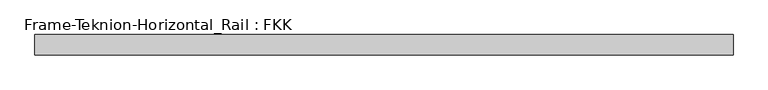
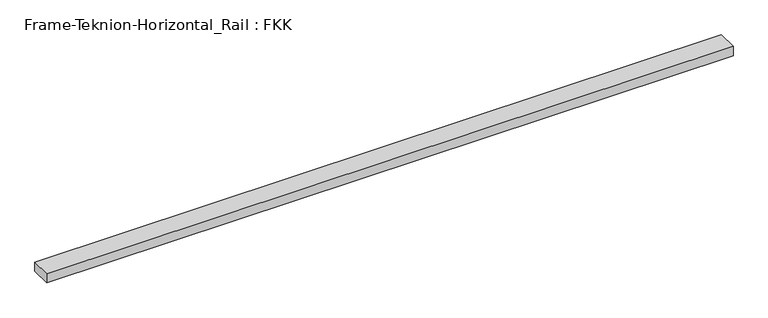
"""IFC4 building model written with IfcOpenShell, lengths in millimetres: proxy geometry, Frame-Teknion-Horizontal_Rail : FKK."""

from ifc_helpers import new_model, si_unit, frame, origin, place, context, project, spatial, polyline, outline, extrude, source, transform, mapped, element, save


def frame_teknion_horizontal_rail_fkk_5c31f45b(model_context):
    return source(origin(), model_context, "Body", "SweptSolid", [
        extrude(outline(polyline([(-995.0152344, -29.2199219), (-995.0152344, 29.2199219), (995.0152344, 29.2199219), (995.0152344, -29.2199219), (-995.0152344, -29.2199219)])), frame((0.0, 0.0, -13.9898438), z_axis=(0.0, 0.0, 1.0), x_axis=(1.0, 0.0, 0.0)), (0.0, 0.0, 1.0), 27.9796875),
    ])


if __name__ == "__main__":
    model = new_model("IFC4")
    model_context = context("Model", 3, world=origin())
    ifc_project = project(units=[si_unit("LENGTHUNIT", "METRE", prefix="MILLI")], contexts=[model_context])
    site = spatial("IfcSite", under=ifc_project)
    building = spatial("IfcBuilding", under=site)
    placement = place(None, origin())
    frame_teknion_horizontal_rail_fkk_shape = frame_teknion_horizontal_rail_fkk_5c31f45b(model_context)
    element("IfcBuildingElementProxy", 1, Name="Frame-Teknion-Horizontal_Rail : FKK", ObjectType="Frame-Teknion-Horizontal_Rail : FKK", at=placement, inside=building, context=model_context, shape_type="MappedRepresentation", body=[
        mapped(frame_teknion_horizontal_rail_fkk_shape, transform((0.0, 0.0, 0.0), x_axis=(1.0, 0.0, 0.0), y_axis=(0.0, 1.0, 0.0), z_axis=(0.0, 0.0, 1.0))),
    ])
    save(model, "model.ifc")
